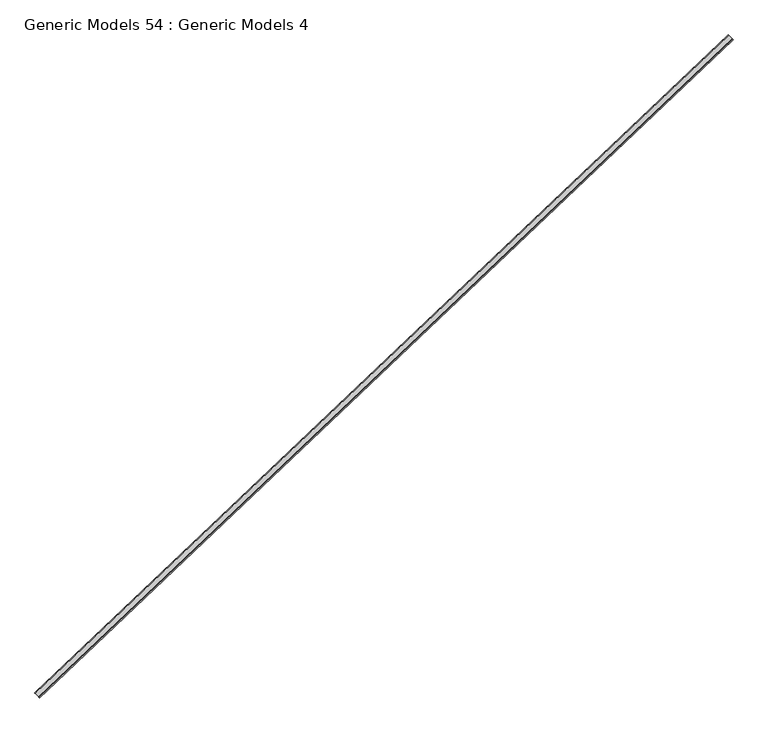
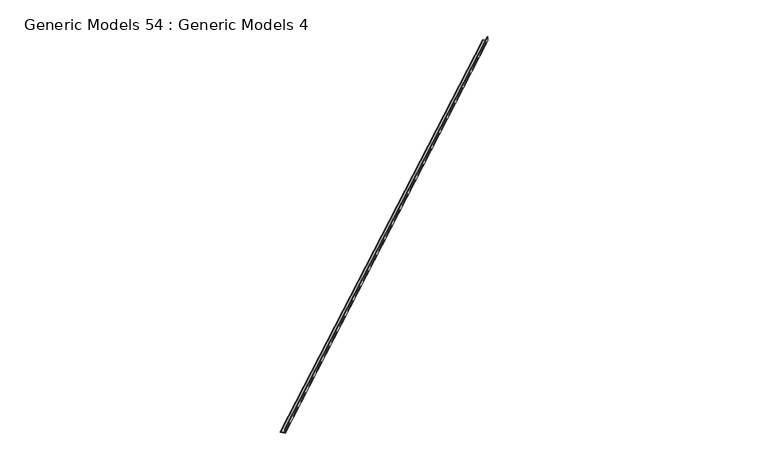
"""IFC4 building model written with IfcOpenShell, lengths in millimetres: proxy geometry, Generic Models 54 : Generic Models 4."""

from ifc_helpers import new_model, si_unit, frame, origin, place, context, project, spatial, polyline, circle_curve, source, transform, mapped, element, save
from ifc_brep_helpers import plane_surface, cylinder_surface, revolved_surface, advanced_brep


def generic_models_54_generic_models_4_a2033594(model_context):
    return source(origin(), model_context, "Body", "AdvancedBrep", [
        advanced_brep(
        [(101719.8127353, 42557.5789989, 16610.33), (101719.8127353, 42557.5789989, 16737.33), (101711.0706321, 42566.7912535, 16724.63), (101711.0706321, 42566.7912535, 16635.73), (101702.328529, 42576.003508, 16623.03), (101641.1338073, 42640.4892896, 16623.03), (101632.3917041, 42649.7015441, 16610.33), (114544.4225476, 54727.6792928, 16610.33), (114457.0015165, 54819.8018379, 16610.33), (114465.7436196, 54810.5895834, 16623.03), (114526.9383414, 54746.1038018, 16623.03), (114535.6804445, 54736.8915473, 16635.73), (114535.6804445, 54736.8915473, 16724.63), (114544.4225476, 54727.6792928, 16737.33), (101860.2996166, 42690.8960714, 16737.33), (102768.8582178, 43553.0859907, 16737.33)],
        [
            (0, 1),
            (1, 2, circle_curve(frame((101719.8127353, 42557.5789989, 16724.63), z_axis=(-0.725374371012385, -0.6883545756936514, 0.0), x_axis=(0.0, 0.0, 1.0)), 12.7)),
            (2, 3),
            (3, 4, circle_curve(frame((101702.328529, 42576.003508, 16635.73), z_axis=(0.725374371012385, 0.6883545756936514, 0.0), x_axis=(0.0, 0.0, 1.0)), 12.7)),
            (4, 5),
            (5, 6, circle_curve(frame((101641.1338073, 42640.4892896, 16610.33), z_axis=(-0.725374371012385, -0.6883545756936514, 0.0), x_axis=(0.0, 0.0, 1.0)), 12.7)),
            (6, 0),
            (7, 8),
            (8, 9, circle_curve(frame((114465.7436196, 54810.5895834, 16610.33), z_axis=(0.725374371012385, 0.6883545756936514, 0.0), x_axis=(0.0, 0.0, 1.0)), 12.7)),
            (9, 10),
            (10, 11, circle_curve(frame((114526.9383414, 54746.1038018, 16635.73), z_axis=(-0.725374371012385, -0.6883545756936514, 0.0), x_axis=(0.0, 0.0, 1.0)), 12.7)),
            (11, 12),
            (12, 13, circle_curve(frame((114544.4225476, 54727.6792928, 16724.63), z_axis=(0.725374371012385, 0.6883545756936514, 0.0), x_axis=(0.0, 0.0, 1.0)), 12.7)),
            (13, 7),
            (3, 11),
            (10, 4),
            (2, 12),
            (9, 5),
            (8, 6),
            (1, 14),
            (14, 15),
            (15, 13),
            (0, 7),
        ],
        [
            plane_surface(frame((101719.8127353, 42557.5789989, 16610.33), z_axis=(-0.725374371012385, -0.6883545756936514, 0.0), x_axis=(0.0, 0.0, 1.0))),
            plane_surface(frame((114544.4225476, 54727.6792928, 16610.33), z_axis=(0.725374371012385, 0.6883545756936514, 0.0), x_axis=(0.0, 0.0, 1.0))),
            revolved_surface(polyline([(114526.93834134602, 54746.10380185689, 16648.43), (101702.32852899998, 42576.00350799997, 16648.43)]), (101702.328529, 42576.003508, 16635.73), (0.725374371012385, 0.6883545756936514, 0.0)),
            plane_surface(frame((101711.0706321, 42566.7912535, 16724.63), z_axis=(-0.6883545756936511, 0.7253743710123853, 0.0), x_axis=(0.7253743710123853, 0.6883545756936511, 0.0))),
            plane_surface(frame((101702.328529, 42576.003508, 16623.03), z_axis=(0.0, 0.0, 1.0), x_axis=(0.7253743710123848, 0.6883545756936515, 0.0))),
            cylinder_surface(frame((101641.1338073, 42640.4892896, 16610.33), z_axis=(-0.725374371012385, -0.6883545756936514, 0.0), x_axis=(0.0, 0.0, 1.0)), 12.7),
            cylinder_surface(frame((101719.8127353, 42557.5789989, 16724.63), z_axis=(-0.725374371012385, -0.6883545756936514, 0.0), x_axis=(0.0, 0.0, 1.0)), 12.7),
            plane_surface(frame((101719.8127353, 42557.5789989, 16610.33), z_axis=(0.6883545756936511, -0.7253743710123853, 0.0), x_axis=(0.7253743710123853, 0.6883545756936511, 0.0))),
            plane_surface(frame((101632.3917041, 42649.7015441, 16610.33), z_axis=(0.0, 0.0, -1.0), x_axis=(0.7253743710123853, 0.6883545756936511, 0.0))),
        ],
        [
            (0, [[1, 2, 3, 4, 5, 6, 7]]),
            (1, [[8, 9, 10, 11, 12, 13, 14]]),
            (2, [[-4, 15, -11, 16]]),
            (3, [[-3, 17, -12, -15]]),
            (4, [[-5, -16, -10, 18]]),
            (5, [[-6, -18, -9, 19]]),
            (6, [[-2, 20, 21, 22, -13, -17]]),
            (7, [[-1, 23, -14, -22, -21, -20]]),
            (8, [[-7, -19, -8, -23]]),
        ],
    ),
    ])


if __name__ == "__main__":
    model = new_model("IFC4")
    model_context = context("Model", 3, world=origin())
    ifc_project = project(units=[si_unit("LENGTHUNIT", "METRE", prefix="MILLI")], contexts=[model_context])
    site = spatial("IfcSite", under=ifc_project)
    building = spatial("IfcBuilding", under=site)
    placement = place(None, origin())
    generic_models_54_generic_models_4_shape = generic_models_54_generic_models_4_a2033594(model_context)
    element("IfcBuildingElementProxy", 1, Name="Generic Models 54 : Generic Models 4", ObjectType="Generic Models 54 : Generic Models 4", at=placement, inside=building, context=model_context, shape_type="MappedRepresentation", body=[
        mapped(generic_models_54_generic_models_4_shape, transform((0.0, 0.0, 0.0), x_axis=(1.0, 0.0, 0.0), y_axis=(0.0, 1.0, 0.0), z_axis=(0.0, 0.0, 1.0))),
    ])
    save(model, "model.ifc")
